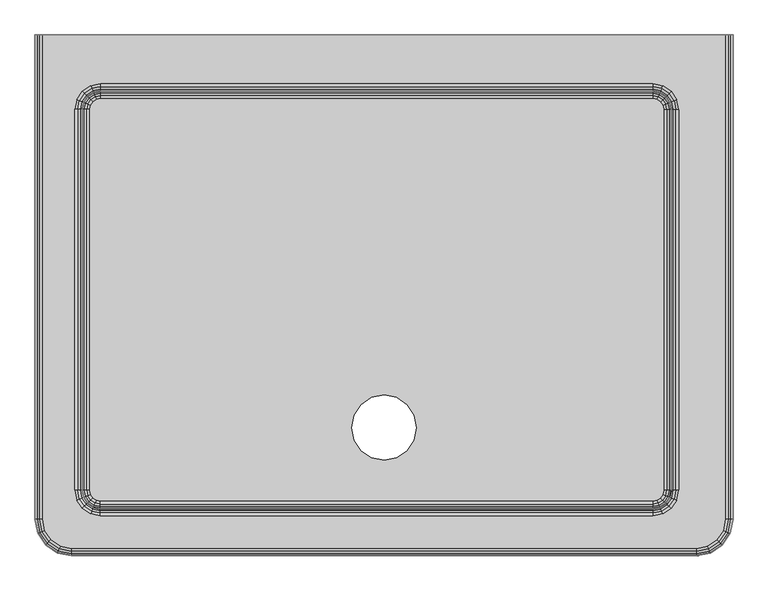
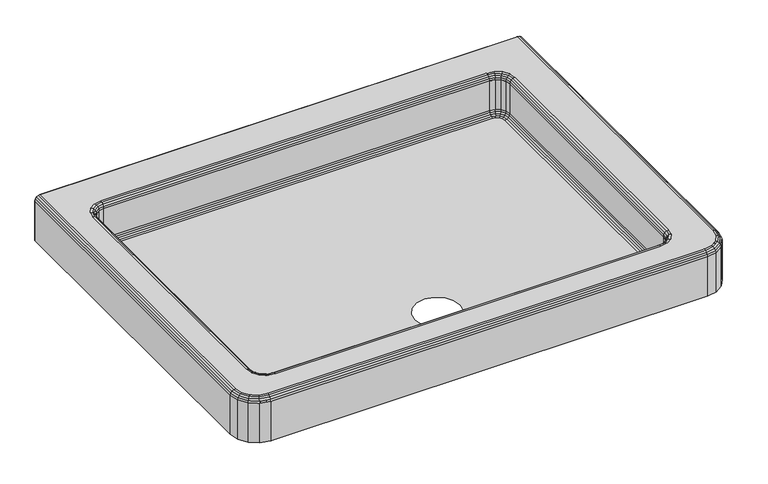
"""IFC4 building model written with IfcOpenShell, lengths in millimetres: flow terminal geometry."""

import ifcopenshell
import ifcopenshell.guid

model = None  # the IFC model being written
_history = None  # IfcOwnerHistory: only IFC2X3 demands one
_inside = {}  # id of a spatial element -> (the spatial element, [elements in it])
_under = {}  # id of a project, library or spatial element -> (it, [spatial elements below it])
_declared = {}  # id of a project -> (the project, [libraries it declares])
_typed = {}  # id of a type object -> (the type object, [elements of that type])
_made_of = {}  # id of a material, layer set ... -> (it, [elements and type objects made of it])


def new_model(schema):
    """Start an empty IFC model of exactly this schema.

    Asked for "IFC4X3", IfcOpenShell would pick the latest addendum, in which some entities
    have other attributes; the version numbers below select the first issue.
    IFC2X3 requires an IfcOwnerHistory on every rooted entity: one is made here for all.
    """
    global model, _history
    if schema == "IFC4X3":
        model = ifcopenshell.file(schema_version=(4, 3, 0, 0))
    else:
        model = ifcopenshell.file(schema=schema)
    _inside.clear()
    _under.clear()
    _declared.clear()
    _typed.clear()
    _made_of.clear()
    _history = None
    if model.schema == "IFC2X3":
        org = make("IfcOrganization", Name="unknown")
        user = make(
            "IfcPersonAndOrganization",
            ThePerson=make("IfcPerson", FamilyName="unknown"),
            TheOrganization=org,
        )
        app = make(
            "IfcApplication",
            ApplicationDeveloper=org,
            Version="unknown",
            ApplicationFullName="unknown",
            ApplicationIdentifier="unknown",
        )
        _history = make(
            "IfcOwnerHistory",
            OwningUser=user,
            OwningApplication=app,
            ChangeAction="ADDED",
            CreationDate=0,
        )
    return model


def make(cls, **values):
    """One entity of the class cls with the attributes given. An attribute that is None is left unset."""
    return model.create_entity(
        cls, **{name: value for name, value in values.items() if value is not None}
    )


def rooted(cls, **values):
    """An entity with a GlobalId (a new one), such as an element, a storey or a relation."""
    return make(cls, GlobalId=ifcopenshell.guid.new(), OwnerHistory=_history, **values)


def si_unit(unit_type, name, prefix=None):
    """IfcSIUnit, for example si_unit("LENGTHUNIT", "METRE", prefix="MILLI")."""
    return make("IfcSIUnit", UnitType=unit_type, Prefix=prefix, Name=name)


def assignment(units):
    """IfcUnitAssignment: the units of a project."""
    return None if units is None else make("IfcUnitAssignment", Units=units)


def point(xyz):
    """IfcCartesianPoint."""
    return None if xyz is None else make("IfcCartesianPoint", Coordinates=xyz)


def direction(xyz):
    """IfcDirection."""
    return None if xyz is None else make("IfcDirection", DirectionRatios=xyz)


def frame(location, z_axis=None, x_axis=None):
    """IfcAxis2Placement3D, a coordinate frame: its origin and axes. An axis left out is left unset."""
    return make(
        "IfcAxis2Placement3D",
        Location=point(location),
        Axis=direction(z_axis),
        RefDirection=direction(x_axis),
    )


def origin():
    """The frame at (0, 0, 0) with its axes left unset."""
    return frame((0.0, 0.0, 0.0))


def place(relative_to, where):
    """IfcLocalPlacement: puts the frame where relative to a parent placement (None: the world)."""
    return make(
        "IfcLocalPlacement", PlacementRelTo=relative_to, RelativePlacement=where
    )


def context(
    kind, dimensions, precision=None, world=None, true_north=None, identifier=None
):
    """IfcGeometricRepresentationContext, for example the 3D "Model" context."""
    return make(
        "IfcGeometricRepresentationContext",
        ContextIdentifier=identifier,
        ContextType=kind,
        CoordinateSpaceDimension=dimensions,
        Precision=precision,
        WorldCoordinateSystem=world,
        TrueNorth=true_north,
    )


def project(units=None, contexts=None):
    """IfcProject with its units and contexts."""
    return rooted(
        "IfcProject",
        Name="project",
        RepresentationContexts=contexts,
        UnitsInContext=assignment(units),
    )


def spatial(cls, under=None, at=None, **own):
    """A site, building, storey or space (cls), placed at a placement, below another one or the project."""
    s = rooted(cls, ObjectPlacement=at, **own)
    if under is not None:
        _under.setdefault(under.id(), (under, []))[1].append(s)
    return s


def point_list(points):
    """IfcCartesianPointList2D or 3D."""
    cls = (
        "IfcCartesianPointList2D" if len(points[0]) == 2 else "IfcCartesianPointList3D"
    )
    return make(cls, CoordList=points)


def triangles(points, corners, closed=None, point_numbers=None):
    """IfcTriangulatedFaceSet: each triangle names its three corners, points numbered from 1."""
    return make(
        "IfcTriangulatedFaceSet",
        Coordinates=point_list(points),
        Closed=closed,
        CoordIndex=corners,
        PnIndex=point_numbers,
    )


def shape(context_of_items, identifier, shape_type, items):
    """IfcShapeRepresentation: the items that make up one representation, for example the "Body"."""
    return make(
        "IfcShapeRepresentation",
        ContextOfItems=context_of_items,
        RepresentationIdentifier=identifier,
        RepresentationType=shape_type,
        Items=items,
    )


def source(mapping_origin, context_of_items, identifier, shape_type, items):
    """IfcRepresentationMap: a shape defined once, which mapped items show again and again."""
    return make(
        "IfcRepresentationMap",
        MappingOrigin=mapping_origin,
        MappedRepresentation=shape(context_of_items, identifier, shape_type, items),
    )


def transform(
    local_origin,
    x_axis=None,
    y_axis=None,
    z_axis=None,
    scale=None,
    scale2=None,
    scale3=None,
    uniform=True,
):
    """IfcCartesianTransformationOperator3D, or its non-uniform kind. x_axis, y_axis, z_axis: its Axis1, 2, 3."""
    if uniform:
        return make(
            "IfcCartesianTransformationOperator3D",
            Axis1=direction(x_axis),
            Axis2=direction(y_axis),
            LocalOrigin=point(local_origin),
            Scale=scale,
            Axis3=direction(z_axis),
        )
    return make(
        "IfcCartesianTransformationOperator3DnonUniform",
        Axis1=direction(x_axis),
        Axis2=direction(y_axis),
        LocalOrigin=point(local_origin),
        Scale=scale,
        Axis3=direction(z_axis),
        Scale2=scale2,
        Scale3=scale3,
    )


def mapped(mapping_source, mapping_target):
    """IfcMappedItem: shows the shape of a source again, moved by a transform."""
    return make(
        "IfcMappedItem", MappingSource=mapping_source, MappingTarget=mapping_target
    )


def made_of(thing, what):
    """Note that an element or type object is made of a material, layer set ...; save() writes the relation."""
    if what is not None:
        _made_of.setdefault(what.id(), (what, []))[1].append(thing)
    return thing


def element(
    cls,
    number,
    at=None,
    inside=None,
    cuts=None,
    type_object=None,
    material=None,
    context=None,
    identifier="Body",
    shape_type=None,
    held_by="IfcProductDefinitionShape",
    body=None,
    shapes=None,
    **own,
):
    """One element of the class cls, such as IfcWall. Its Tag is "e" and its number.

    at: its placement. inside: the storey or other place that contains it. cuts: it is an
    opening in that element (IfcRelVoidsElement). A single representation is given by context,
    identifier, shape_type and body (its items); several are given by shapes. held_by: the class
    of the entity that holds the representations. save() writes the other relations.
    """
    e = rooted(cls, Tag="e%d" % number, ObjectPlacement=at, **own)
    if body is not None:
        shapes = [shape(context, identifier, shape_type, body)]
    if shapes is not None:
        e.Representation = make(held_by, Representations=shapes)
    if inside is not None:
        _inside.setdefault(inside.id(), (inside, []))[1].append(e)
    if cuts is not None:
        rooted(
            "IfcRelVoidsElement", RelatingBuildingElement=cuts, RelatedOpeningElement=e
        )
    if type_object is not None:
        _typed.setdefault(type_object.id(), (type_object, []))[1].append(e)
    return made_of(e, material)


def aggregate(whole, parts):
    """IfcRelAggregates: a whole, such as a stair, and the parts it consists of."""
    return rooted("IfcRelAggregates", RelatingObject=whole, RelatedObjects=parts)


def save(model, path):
    """Write the relations noted so far, then the file.

    IfcRelAggregates (storeys below a building ...), IfcRelContainedInSpatialStructure (elements
    in a storey), IfcRelDefinesByType, IfcRelAssociatesMaterial and IfcRelDeclares: one each for
    every whole, place, type object, material and project.
    """
    for whole, parts in _under.values():
        aggregate(whole, parts)
    for where, things in _inside.values():
        rooted(
            "IfcRelContainedInSpatialStructure",
            RelatedElements=things,
            RelatingStructure=where,
        )
    for kind, things in _typed.values():
        rooted("IfcRelDefinesByType", RelatedObjects=things, RelatingType=kind)
    for what, things in _made_of.values():
        rooted("IfcRelAssociatesMaterial", RelatedObjects=things, RelatingMaterial=what)
    for by, libraries in _declared.values():
        rooted("IfcRelDeclares", RelatingContext=by, RelatedDefinitions=libraries)
    model.write(path)


def flow_terminal_baabb2e3(model_context):
    return source(origin(), model_context, "Body", "Tessellation", [
        triangles([(1096.4070591, -812.1810213, 13.6667235), (1101.5900276, -804.424082, 13.6667235), (1097.0998947, -802.5642391, 12.7000004), (1092.9704229, -808.7444578, 12.7000004), (1088.6500471, -817.3641352, 13.6667235), (1086.7901316, -812.8740023, 12.7000004), (1105.3966267, -806.0008026, 16.4197543), (1107.53029, -795.2740591, 16.4197543), (1103.4101927, -795.2740591, 13.6667235), (1099.3203987, -815.0944336, 16.4197543), (1090.2267677, -821.1705889, 16.4197543), (1079.5000242, -823.3043249, 16.4197543), (1079.5000242, -819.1840822, 13.6667235), (1107.9400034, -807.054372, 20.5399141), (1110.2833197, -795.2740591, 20.5399141), (1101.2670822, -817.0411171, 20.5399141), (1091.2802645, -823.7141109, 20.5399141), (1079.5000242, -826.0573545, 20.5399141), (1101.9506887, -817.7247236, 25.4000008), (1108.8331902, -807.4242622, 25.4000008), (1091.6502274, -824.607225, 25.4000008), (1098.5500242, -795.2740591, 12.7000004), (1079.5000242, -814.3240591, 12.7000004), (1111.2499758, -795.2740591, 25.4000008), (114.3, -819.1840822, 13.6667235), (114.3, -814.3240591, 12.7000004), (114.3, -823.3043249, 16.4197543), (114.3, -826.0573545, 20.5399141), (114.3, -827.0240833, 25.4000008), (1079.5000242, -827.0240833, 25.4000008), (1107.4943184, -823.2683533, 115.8732779), (1120.5664856, -812.284358, 116.8399976), (1116.0763527, -810.4244425, 115.8732779), (1110.9309546, -826.7049894, 116.8399976), (1094.6504076, -831.8503876, 115.8732779), (1096.5103231, -836.3405205, 116.8399976), (1112.2698263, -808.8477219, 113.1202482), (1119.0899042, -795.2740591, 115.8732779), (1114.9697342, -795.2740591, 113.1202482), (1104.5809788, -820.354941, 113.1202482), (1093.073687, -828.0438612, 113.1202482), (1079.5000242, -830.7438417, 113.1202482), (1079.5000242, -834.8639391, 115.8732779), (1109.7263769, -807.7942251, 109.0000873), (1112.2167772, -795.2740591, 109.0000873), (1102.6342226, -818.4083302, 109.0000873), (1092.0201902, -825.5004118, 109.0000873), (1079.5000242, -827.9908121, 109.0000873), (1108.8331902, -807.4242622, 104.1400006), (1111.2499758, -795.2740591, 104.1400006), (1101.9506887, -817.7247236, 104.1400006), (1091.6502274, -824.607225, 104.1400006), (1110.6399839, -801.4682304, 104.1400006), (1105.8992123, -812.9133894, 104.1400006), (1097.1394272, -821.6731745, 104.1400006), (1079.5000242, -827.0240833, 104.1400006), (1085.6941956, -826.4140188, 104.1400006), (1123.0959824, -803.9458408, 116.8399976), (1123.95, -795.2740591, 116.8399976), (1116.4588875, -819.969136, 116.8399976), (1104.1951012, -832.2328497, 116.8399976), (1079.5000242, -839.7240349, 116.8399976), (1088.1717333, -838.8699446, 116.8399976), (114.3, -834.8639391, 115.8732779), (114.3, -839.7240349, 116.8399976), (114.3, -830.7438417, 113.1202482), (114.3, -827.9908121, 109.0000873), (114.3, -827.0240833, 104.1400006), (1096.4070591, -113.1410773, 13.6667235), (1088.6500471, -107.9580543, 13.6667235), (1086.7901316, -112.4481872, 12.7000004), (1092.9704229, -116.577668, 12.7000004), (1101.5900276, -120.8980529, 13.6667235), (1097.0998947, -122.7579231, 12.7000004), (1090.2267677, -104.1515097, 16.4197543), (1079.5000242, -102.0178009, 16.4197543), (1079.5000242, -106.1380164, 13.6667235), (1099.3203987, -110.227665, 16.4197543), (1105.3966267, -119.3213051, 16.4197543), (1107.53029, -130.0480758, 16.4197543), (1103.4101927, -130.0480758, 13.6667235), (1091.2802645, -101.6080512, 20.5399141), (1079.5000242, -99.2647713, 20.5399141), (1101.2670822, -108.2809906, 20.5399141), (1107.9400034, -118.2677811, 20.5399141), (1110.2833197, -130.0480758, 20.5399141), (1101.9506887, -107.5974204, 25.4000008), (1091.6502274, -100.7148826, 25.4000008), (1108.8331902, -117.8978636, 25.4000008), (1079.5000242, -110.9980758, 12.7000004), (1098.5500242, -130.0480758, 12.7000004), (1111.2499758, -130.0480758, 25.4000008), (1107.4943184, -102.0537726, 115.8732779), (1096.5103231, -88.9815872, 116.8399976), (1094.6504076, -93.4717201, 115.8732779), (1110.9309546, -98.6171546, 116.8399976), (1116.0763527, -114.8976379, 115.8732779), (1120.5664856, -113.0377769, 116.8399976), (1093.073687, -97.2782646, 113.1202482), (1079.5000242, -90.4581595, 115.8732779), (1079.5000242, -94.5783477, 113.1202482), (1104.5809788, -104.9671485, 113.1202482), (1112.2698263, -116.4743949, 113.1202482), (1114.9697342, -130.0480758, 113.1202482), (1119.0899042, -130.0480758, 115.8732779), (1092.0201902, -99.8217231, 109.0000873), (1079.5000242, -97.3313773, 109.0000873), (1102.6342226, -106.913832, 109.0000873), (1109.7263769, -117.5279098, 109.0000873), (1112.2167772, -130.0480758, 109.0000873), (1101.9506887, -107.5974204, 104.1400006), (1091.6502274, -100.7148826, 104.1400006), (1108.8331902, -117.8978636, 104.1400006), (1079.5000242, -98.2980788, 104.1400006), (1085.6941956, -98.908107, 104.1400006), (1097.1394272, -103.648915, 104.1400006), (1105.8992123, -112.4087455, 104.1400006), (1111.2499758, -130.0480758, 104.1400006), (1110.6399839, -123.8539772, 104.1400006), (1088.1717333, -86.4521994, 116.8399976), (1079.5000242, -85.5980728, 116.8399976), (1104.1951012, -93.0892943, 116.8399976), (1116.4588875, -105.3529807, 116.8399976), (1123.95, -130.0480758, 116.8399976), (1123.0959824, -121.3763123, 116.8399976), (97.3931014, -812.1810213, 13.6667235), (105.1500861, -817.3641352, 13.6667235), (107.0099472, -812.8740023, 12.7000004), (100.8297194, -808.7444578, 12.7000004), (92.2099784, -804.424082, 13.6667235), (96.7001113, -802.5642391, 12.7000004), (103.5733292, -821.1705889, 16.4197543), (94.4797163, -815.0944336, 16.4197543), (88.4034339, -806.0008026, 16.4197543), (86.2697524, -795.2740591, 16.4197543), (90.3899405, -795.2740591, 13.6667235), (102.5198143, -823.7141109, 20.5399141), (92.5329329, -817.0411171, 20.5399141), (85.8599754, -807.054372, 20.5399141), (83.5168045, -795.2740591, 20.5399141), (91.8494445, -817.7247236, 25.4000008), (102.1498877, -824.607225, 25.4000008), (84.9669158, -807.4242622, 25.4000008), (95.25, -795.2740591, 12.7000004), (95.25, -130.0480758, 12.7000004), (90.3899405, -130.0480758, 13.6667235), (86.2697524, -130.0480758, 16.4197543), (83.5168045, -130.0480758, 20.5399141), (82.550003, -130.0480758, 25.4000008), (82.550003, -795.2740591, 25.4000008), (86.3057967, -823.2683533, 115.8732779), (97.289801, -836.3405205, 116.8399976), (99.1495894, -831.8503876, 115.8732779), (82.8691787, -826.7049894, 116.8399976), (77.7237442, -810.4244425, 115.8732779), (73.2336113, -812.284358, 116.8399976), (100.726419, -828.0438612, 113.1202482), (89.2191726, -820.354941, 113.1202482), (81.5302887, -808.8477219, 113.1202482), (78.8302719, -795.2740591, 113.1202482), (74.7101881, -795.2740591, 115.8732779), (101.7799339, -825.5004118, 109.0000873), (91.1658561, -818.4083302, 109.0000873), (84.0737472, -807.7942251, 109.0000873), (81.5833015, -795.2740591, 109.0000873), (91.8494445, -817.7247236, 104.1400006), (102.1498877, -824.607225, 104.1400006), (84.9669158, -807.4242622, 104.1400006), (82.550003, -795.2740591, 104.1400006), (108.1059013, -826.4140188, 104.1400006), (96.6606879, -821.6731745, 104.1400006), (87.9008392, -812.9133894, 104.1400006), (105.6282637, -838.8699446, 116.8399976), (89.6050048, -832.2328497, 116.8399976), (77.3412185, -819.969136, 116.8399976), (69.8500015, -795.2740591, 116.8399976), (70.7041236, -803.9458408, 116.8399976), (74.7101881, -130.0480758, 115.8732779), (69.8500015, -130.0480758, 116.8399976), (78.8302719, -130.0480758, 113.1202482), (81.5833015, -130.0480758, 109.0000873), (82.550003, -130.0480758, 104.1400006), (97.3931014, -113.1410773, 13.6667235), (92.2099784, -120.8980529, 13.6667235), (96.7001113, -122.7579231, 12.7000004), (100.8297194, -116.577668, 12.7000004), (105.1500861, -107.9580543, 13.6667235), (107.0099472, -112.4481872, 12.7000004), (88.4034339, -119.3213051, 16.4197543), (94.4797163, -110.227665, 16.4197543), (103.5733292, -104.1515097, 16.4197543), (114.3, -102.0178009, 16.4197543), (114.3, -106.1380164, 13.6667235), (85.8599754, -118.2677811, 20.5399141), (92.5329329, -108.2809906, 20.5399141), (102.5198143, -101.6080512, 20.5399141), (114.3, -99.2647713, 20.5399141), (91.8494445, -107.5974204, 25.4000008), (84.9669158, -117.8978636, 25.4000008), (102.1498877, -100.7148826, 25.4000008), (114.3, -110.9980758, 12.7000004), (114.3, -98.2980788, 25.4000008), (1079.5000242, -98.2980788, 25.4000008), (86.3057967, -102.0537726, 115.8732779), (73.2336113, -113.0377769, 116.8399976), (77.7237442, -114.8976379, 115.8732779), (82.8691787, -98.6171546, 116.8399976), (99.1495894, -93.4717201, 115.8732779), (97.289801, -88.9815872, 116.8399976), (81.5302887, -116.4743949, 113.1202482), (89.2191726, -104.9671485, 113.1202482), (100.726419, -97.2782646, 113.1202482), (114.3, -94.5783477, 113.1202482), (114.3, -90.4581595, 115.8732779), (84.0737472, -117.5279098, 109.0000873), (91.1658561, -106.913832, 109.0000873), (101.7799339, -99.8217231, 109.0000873), (114.3, -97.3313773, 109.0000873), (84.9669158, -117.8978636, 104.1400006), (91.8494445, -107.5974204, 104.1400006), (102.1498877, -100.7148826, 104.1400006), (83.1600585, -123.8539772, 104.1400006), (87.9008392, -112.4087455, 104.1400006), (96.6606879, -103.648915, 104.1400006), (70.7041236, -121.3763123, 116.8399976), (77.3412185, -105.3529807, 116.8399976), (89.6050048, -93.0892943, 116.8399976), (114.3, -85.5980728, 116.8399976), (105.6282637, -86.4521994, 116.8399976), (114.3, -98.2980788, 104.1400006), (552.4500363, -685.8000727, 12.7000004), (556.8003522, -663.929678, 12.7000004), (556.8003522, -707.6703947, 12.7000004), (569.1889129, -726.2111961, 12.7000004), (587.729678, -738.5997568, 12.7000004), (609.6000727, -742.9500727, 12.7000004), (631.4703947, -738.5997568, 12.7000004), (650.0111961, -726.2111961, 12.7000004), (662.3997568, -707.6703947, 12.7000004), (666.75, -685.8000727, 12.7000004), (662.3997568, -663.929678, 12.7000004), (650.0111961, -645.3888765, 12.7000004), (569.1889129, -645.3888765, 12.7000004), (631.4703947, -633.0003885, 12.7000004), (609.6000727, -628.6500727, 12.7000004), (587.729678, -633.0003885, 12.7000004), (1199.9177467, -890.2917332, 109.0000873), (1214.3663561, -870.3744896, 104.1400006), (1213.473242, -870.0045267, 109.0000873), (1200.6013533, -890.9753397, 104.1400006), (1179.6305403, -903.8473011, 109.0000873), (1180.0004305, -904.7404152, 104.1400006), (1210.9297926, -868.9509573, 113.1202482), (1218.2332712, -846.0740833, 109.0000873), (1215.4802416, -846.0740833, 113.1202482), (1197.9710632, -888.3450497, 113.1202482), (1178.5769709, -901.303779, 113.1202482), (1155.7000242, -905.8543734, 113.1202482), (1155.7000242, -908.6073303, 109.0000873), (1207.1232662, -867.3742367, 115.8732779), (1211.3602169, -846.0740833, 115.8732779), (1195.0576509, -885.4317101, 115.8732779), (1177.0002502, -897.4972527, 115.8732779), (1155.7000242, -901.7341307, 115.8732779), (1191.6210875, -881.9950739, 116.8399976), (1202.6331333, -865.5143938, 116.8399976), (1175.1404074, -893.0071924, 116.8399976), (1155.7000242, -909.5740591, 104.1400006), (1206.4999758, -846.0740833, 116.8399976), (1155.7000242, -896.8740349, 116.8399976), (1205.5238726, -855.9846703, 116.8399976), (1197.9387251, -874.2969973, 116.8399976), (1183.9230108, -888.3127115, 116.8399976), (1165.6106838, -895.8980043, 116.8399976), (1218.2332712, 0.0, 109.0000873), (1219.2, -846.0740833, 104.1400006), (1219.2, 0.0, 104.1400006), (1215.4802416, 0.0, 113.1202482), (1211.3602169, 0.0, 115.8732779), (1206.4999758, 0.0, 116.8399976), (19.28236, -890.2917332, 109.0000873), (39.1996422, -904.7404152, 104.1400006), (39.5695914, -903.8473011, 109.0000873), (18.5987694, -890.9753397, 104.1400006), (5.7267858, -870.0045267, 109.0000873), (4.8337217, -870.3744896, 104.1400006), (40.6231109, -901.303779, 113.1202482), (63.4999985, -908.6073303, 109.0000873), (63.4999985, -905.8543734, 113.1202482), (21.2290412, -888.3450497, 113.1202482), (8.2702398, -868.9509573, 113.1202482), (3.7197539, -846.0740833, 113.1202482), (0.9668002, -846.0740833, 109.0000873), (42.1998633, -897.4972527, 115.8732779), (63.4999985, -901.7341307, 115.8732779), (24.1424217, -885.4317101, 115.8732779), (12.076786, -867.3742367, 115.8732779), (7.8399387, -846.0740833, 115.8732779), (27.5790397, -881.9950739, 116.8399976), (44.0597289, -893.0071924, 116.8399976), (16.5670234, -865.5143938, 116.8399976), (0.0, -846.0740833, 104.1400006), (63.4999985, -896.8740349, 116.8399976), (12.7000004, -846.0740833, 116.8399976), (53.5894797, -895.8980043, 116.8399976), (35.2771209, -888.3127115, 116.8399976), (21.2613998, -874.2969973, 116.8399976), (13.6761218, -855.9846703, 116.8399976), (63.4999985, -909.5740591, 104.1400006), (0.0, 0.0, 104.1400006), (0.9668002, 0.0, 109.0000873), (3.7197539, 0.0, 113.1202482), (7.8399387, 0.0, 115.8732779), (12.7000004, 0.0, 116.8399976), (63.4999985, -909.5740591, 0.0), (39.1996422, -904.7404152, 0.0), (18.5987694, -890.9753397, 0.0), (4.8337217, -870.3744896, 0.0), (0.0, -846.0740833, 0.0), (1219.2, -846.0740833, 0.0), (1214.3663561, -870.3744896, 0.0), (1200.6013533, -890.9753397, 0.0), (1180.0004305, -904.7404152, 0.0), (1155.7000242, -909.5740591, 0.0), (0.0, 0.0, 0.0), (1219.2, 0.0, 0.0)], [[3, 1, 2], [4, 1, 3], [4, 5, 1], [6, 5, 4], [9, 7, 8], [2, 7, 9], [2, 10, 7], [1, 10, 2], [1, 11, 10], [5, 11, 1], [5, 12, 11], [13, 12, 5], [8, 14, 15], [7, 14, 8], [7, 16, 14], [10, 16, 7], [10, 17, 16], [11, 17, 10], [11, 18, 17], [12, 18, 11], [14, 19, 20], [16, 19, 14], [16, 21, 19], [17, 21, 16], [2, 22, 3], [22, 2, 9], [6, 13, 5], [6, 23, 13], [15, 20, 24], [14, 20, 15], [13, 23, 25], [26, 25, 23], [13, 25, 12], [25, 27, 12], [27, 28, 12], [12, 28, 18], [30, 18, 29], [28, 29, 18], [33, 31, 32], [32, 31, 34], [31, 35, 34], [34, 35, 36], [39, 37, 38], [38, 37, 33], [37, 40, 33], [33, 40, 31], [40, 41, 31], [31, 41, 35], [41, 42, 35], [35, 42, 43], [45, 44, 39], [39, 44, 37], [44, 46, 37], [37, 46, 40], [46, 47, 40], [40, 47, 41], [47, 48, 41], [41, 48, 42], [50, 49, 45], [45, 49, 44], [49, 51, 44], [44, 51, 46], [51, 52, 46], [46, 52, 47], [49, 50, 53], [49, 51, 54], [51, 52, 55], [57, 56, 52], [59, 32, 58], [32, 34, 60], [34, 36, 61], [36, 62, 63], [38, 33, 59], [33, 32, 59], [35, 43, 36], [36, 43, 62], [52, 56, 47], [48, 47, 56], [62, 64, 65], [62, 43, 64], [64, 42, 66], [43, 42, 64], [67, 42, 48], [42, 67, 66], [56, 67, 48], [67, 56, 68], [71, 69, 70], [72, 69, 71], [72, 73, 69], [74, 73, 72], [77, 75, 76], [70, 75, 77], [70, 78, 75], [69, 78, 70], [69, 79, 78], [73, 79, 69], [73, 80, 79], [81, 80, 73], [76, 82, 83], [75, 82, 76], [75, 84, 82], [78, 84, 75], [78, 85, 84], [79, 85, 78], [79, 86, 85], [80, 86, 79], [82, 87, 88], [84, 87, 82], [84, 89, 87], [85, 89, 84], [90, 70, 77], [71, 70, 90], [81, 74, 91], [74, 81, 73], [92, 85, 86], [85, 92, 89], [9, 81, 22], [22, 81, 91], [80, 81, 8], [9, 8, 81], [80, 8, 86], [15, 86, 8], [15, 24, 86], [24, 92, 86], [95, 93, 94], [94, 93, 96], [93, 97, 96], [96, 97, 98], [101, 99, 100], [100, 99, 95], [99, 102, 95], [95, 102, 93], [102, 103, 93], [93, 103, 97], [103, 104, 97], [97, 104, 105], [107, 106, 101], [101, 106, 99], [106, 108, 99], [99, 108, 102], [108, 109, 102], [102, 109, 103], [109, 110, 103], [103, 110, 104], [112, 111, 106], [106, 111, 108], [111, 113, 108], [108, 113, 109], [115, 112, 114], [116, 111, 112], [117, 113, 111], [119, 118, 113], [121, 94, 120], [94, 96, 122], [96, 98, 123], [98, 124, 125], [94, 121, 95], [100, 95, 121], [98, 97, 124], [97, 105, 124], [107, 114, 106], [112, 106, 114], [110, 109, 118], [109, 113, 118], [38, 124, 105], [124, 38, 59], [104, 38, 105], [104, 39, 38], [104, 45, 39], [110, 45, 104], [45, 118, 50], [118, 45, 110], [128, 126, 127], [129, 126, 128], [129, 130, 126], [131, 130, 129], [25, 132, 27], [127, 132, 25], [127, 133, 132], [126, 133, 127], [126, 134, 133], [130, 134, 126], [130, 135, 134], [136, 135, 130], [27, 137, 28], [132, 137, 27], [132, 138, 137], [133, 138, 132], [133, 139, 138], [134, 139, 133], [134, 140, 139], [135, 140, 134], [137, 141, 142], [138, 141, 137], [138, 143, 141], [139, 143, 138], [127, 26, 128], [26, 127, 25], [131, 136, 130], [131, 144, 136], [28, 142, 29], [137, 142, 28], [144, 145, 136], [146, 136, 145], [146, 147, 136], [147, 135, 136], [148, 140, 147], [147, 140, 135], [150, 140, 149], [148, 149, 140], [153, 151, 152], [152, 151, 154], [151, 155, 154], [154, 155, 156], [66, 157, 64], [64, 157, 153], [157, 158, 153], [153, 158, 151], [158, 159, 151], [151, 159, 155], [159, 160, 155], [155, 160, 161], [67, 162, 66], [66, 162, 157], [162, 163, 157], [157, 163, 158], [163, 164, 158], [158, 164, 159], [164, 165, 159], [159, 165, 160], [167, 166, 162], [162, 166, 163], [166, 168, 163], [163, 168, 164], [168, 169, 164], [164, 169, 165], [170, 167, 68], [167, 166, 171], [166, 168, 172], [65, 152, 173], [152, 154, 174], [154, 156, 175], [156, 176, 177], [65, 64, 152], [64, 153, 152], [161, 176, 155], [155, 176, 156], [162, 67, 167], [68, 167, 67], [176, 178, 179], [176, 161, 178], [178, 160, 180], [161, 160, 178], [181, 160, 165], [160, 181, 180], [169, 181, 165], [181, 169, 182], [185, 183, 184], [186, 183, 185], [186, 187, 183], [188, 187, 186], [146, 189, 147], [184, 189, 146], [184, 190, 189], [183, 190, 184], [183, 191, 190], [187, 191, 183], [187, 192, 191], [193, 192, 187], [147, 194, 148], [189, 194, 147], [189, 195, 194], [190, 195, 189], [190, 196, 195], [191, 196, 190], [191, 197, 196], [192, 197, 191], [194, 198, 199], [195, 198, 194], [195, 200, 198], [196, 200, 195], [145, 184, 146], [145, 185, 184], [188, 193, 187], [201, 193, 188], [149, 194, 199], [194, 149, 148], [200, 197, 202], [197, 200, 196], [90, 77, 201], [77, 193, 201], [76, 192, 77], [77, 192, 193], [197, 192, 83], [76, 83, 192], [197, 83, 202], [203, 202, 83], [206, 204, 205], [205, 204, 207], [204, 208, 207], [207, 208, 209], [180, 210, 178], [178, 210, 206], [210, 211, 206], [206, 211, 204], [211, 212, 204], [204, 212, 208], [212, 213, 208], [208, 213, 214], [181, 215, 180], [180, 215, 210], [215, 216, 210], [210, 216, 211], [216, 217, 211], [211, 217, 212], [217, 218, 212], [212, 218, 213], [182, 219, 181], [181, 219, 215], [219, 220, 215], [215, 220, 216], [220, 221, 216], [216, 221, 217], [222, 219, 182], [219, 220, 223], [224, 221, 220], [179, 205, 225], [205, 207, 226], [207, 209, 227], [209, 228, 229], [178, 206, 179], [206, 205, 179], [214, 228, 208], [208, 228, 209], [218, 217, 230], [217, 221, 230], [214, 121, 228], [214, 100, 121], [214, 101, 100], [213, 101, 214], [101, 218, 107], [218, 101, 213], [114, 218, 230], [218, 114, 107], [114, 203, 112], [203, 88, 112], [88, 87, 112], [112, 87, 111], [89, 113, 87], [111, 87, 113], [118, 113, 92], [89, 92, 113], [20, 19, 49], [49, 19, 51], [21, 52, 19], [51, 19, 52], [52, 21, 56], [30, 56, 21], [141, 166, 142], [167, 142, 166], [168, 166, 143], [141, 143, 166], [143, 150, 168], [150, 169, 168], [199, 219, 149], [182, 149, 219], [220, 219, 198], [199, 198, 219], [220, 198, 221], [198, 200, 221], [200, 202, 221], [221, 202, 230], [169, 150, 182], [182, 150, 149], [114, 230, 203], [230, 202, 203], [50, 118, 24], [92, 24, 118], [30, 29, 56], [68, 56, 29], [232, 145, 231], [145, 233, 231], [145, 234, 233], [144, 234, 145], [144, 235, 234], [144, 236, 235], [131, 236, 144], [129, 236, 131], [128, 236, 129], [26, 236, 128], [23, 236, 26], [23, 237, 236], [4, 23, 6], [22, 4, 3], [74, 22, 91], [71, 74, 72], [201, 71, 90], [186, 201, 188], [145, 186, 185], [232, 186, 145], [23, 238, 237], [23, 239, 238], [23, 240, 239], [23, 241, 240], [23, 242, 241], [4, 242, 23], [74, 4, 22], [201, 74, 71], [232, 201, 186], [243, 201, 232], [4, 244, 242], [74, 244, 4], [74, 245, 244], [243, 74, 201], [246, 74, 243], [74, 246, 245], [249, 247, 248], [248, 247, 250], [247, 251, 250], [250, 251, 252], [255, 253, 254], [254, 253, 249], [253, 256, 249], [249, 256, 247], [256, 257, 247], [247, 257, 251], [257, 258, 251], [251, 258, 259], [261, 260, 255], [255, 260, 253], [260, 262, 253], [253, 262, 256], [262, 263, 256], [256, 263, 257], [263, 264, 257], [257, 264, 258], [266, 265, 260], [260, 265, 262], [265, 267, 262], [262, 267, 263], [259, 268, 251], [252, 251, 268], [261, 269, 260], [269, 266, 260], [263, 267, 264], [264, 267, 270], [269, 266, 271], [266, 265, 272], [265, 267, 273], [267, 270, 274], [276, 275, 254], [275, 276, 277], [255, 275, 278], [275, 255, 254], [279, 255, 278], [279, 261, 255], [279, 269, 261], [280, 269, 279], [283, 281, 282], [282, 281, 284], [281, 285, 284], [284, 285, 286], [289, 287, 288], [288, 287, 283], [287, 290, 283], [283, 290, 281], [290, 291, 281], [281, 291, 285], [291, 292, 285], [285, 292, 293], [295, 294, 289], [289, 294, 287], [294, 296, 287], [287, 296, 290], [296, 297, 290], [290, 297, 291], [297, 298, 291], [291, 298, 292], [300, 299, 294], [294, 299, 296], [299, 301, 296], [296, 301, 297], [302, 286, 293], [285, 293, 286], [295, 303, 294], [303, 300, 294], [301, 304, 297], [297, 304, 298], [303, 300, 305], [300, 299, 306], [299, 301, 307], [301, 304, 308], [259, 309, 268], [309, 259, 288], [259, 289, 288], [259, 258, 289], [289, 264, 295], [258, 264, 289], [295, 270, 303], [270, 295, 264], [293, 310, 302], [310, 293, 311], [293, 312, 311], [293, 292, 312], [312, 298, 313], [292, 298, 312], [313, 304, 314], [304, 313, 298], [282, 315, 309], [315, 282, 316], [282, 317, 316], [282, 284, 317], [317, 286, 318], [284, 286, 317], [319, 286, 302], [286, 319, 318], [248, 320, 276], [320, 248, 321], [248, 322, 321], [248, 250, 322], [322, 252, 323], [250, 252, 322], [324, 252, 268], [252, 324, 323], [302, 325, 319], [325, 302, 310], [311, 325, 310], [313, 311, 312], [280, 313, 314], [278, 280, 279], [277, 278, 275], [325, 277, 326], [311, 277, 325], [280, 311, 313], [277, 280, 278], [277, 311, 280], [326, 276, 320], [276, 326, 277], [268, 315, 324], [315, 268, 309], [205, 314, 179], [314, 176, 179], [304, 176, 314], [304, 156, 176], [304, 154, 156], [304, 152, 154], [304, 65, 152], [304, 62, 65], [301, 62, 304], [299, 62, 301], [300, 62, 299], [303, 62, 300], [270, 62, 303], [270, 36, 62], [265, 270, 267], [269, 265, 266], [207, 314, 205], [209, 314, 207], [228, 314, 209], [270, 34, 36], [270, 32, 34], [270, 59, 32], [270, 124, 59], [265, 124, 270], [269, 124, 265], [228, 280, 314], [121, 280, 228], [280, 124, 269], [280, 98, 124], [280, 96, 98], [94, 280, 121], [280, 94, 96]], closed=False),
    ])


if __name__ == "__main__":
    model = new_model("IFC4")
    model_context = context("Model", 3, world=origin())
    ifc_project = project(units=[si_unit("LENGTHUNIT", "METRE", prefix="MILLI")], contexts=[model_context])
    site = spatial("IfcSite", under=ifc_project)
    building = spatial("IfcBuilding", under=site)
    placement = place(None, origin())
    flow_terminal_shape = flow_terminal_baabb2e3(model_context)
    element("IfcFlowTerminal", 1, at=placement, inside=building, context=model_context, shape_type="MappedRepresentation", body=[
        mapped(flow_terminal_shape, transform((0.0, 0.0, 0.0), x_axis=(1.0, 0.0, 0.0), y_axis=(0.0, 1.0, 0.0), z_axis=(0.0, 0.0, 1.0))),
    ])
    save(model, "model.ifc")
